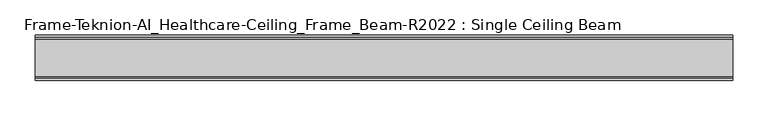
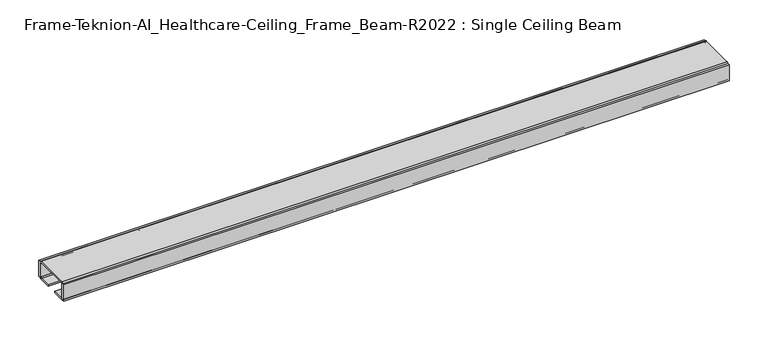
"""IFC4 building model written with IfcOpenShell, lengths in millimetres: furniture geometry, Frame-Teknion-AI_Healthcare-Ceiling_Frame_Beam-R2022 : Single Ceiling Beam."""

from ifc_helpers import new_model, si_unit, point, frame, frame_2d, origin, place, context, project, spatial, polyline, circle_curve, trimmed, segment, composite_curve, outline, extrude, source, transform, mapped, element, save


def frame_teknion_ai_healthcare_ceiling_frame_beam_r2022_single_4f02e1ff(model_context):
    return source(origin(), model_context, "Body", "SweptSolid", [
        extrude(outline(composite_curve([segment(polyline([(-32.174996, 1573.5046), (-32.174996, 1598.9045998), (-28.999999, 1598.9045998), (-28.999999, 1597.787)]), True, "CONTINUOUS"), segment(trimmed(circle_curve(frame_2d((-26.5869991, 1597.787)), 2.413), [point((-28.999999, 1597.787))], [point((-26.5869991, 1600.2))], False, "CARTESIAN"), True, "CONTINUOUS"), segment(polyline([(-26.5869991, 1600.2), (26.5869991, 1600.2)]), True, "CONTINUOUS"), segment(trimmed(circle_curve(frame_2d((26.5869991, 1597.787)), 2.413), [point((26.5869991, 1600.2))], [point((28.999999, 1597.787))], False, "CARTESIAN"), True, "CONTINUOUS"), segment(polyline([(28.999999, 1597.787), (28.999999, 1598.9045998), (32.174996, 1598.9045998), (32.174996, 1573.5046), (28.999999, 1573.5046), (28.999999, 1574.6129989)]), True, "CONTINUOUS"), segment(trimmed(circle_curve(frame_2d((26.5869991, 1574.6129989)), 2.413), [point((28.999999, 1574.6129989))], [point((26.5869991, 1572.199999))], False, "CARTESIAN"), True, "CONTINUOUS"), segment(polyline([(26.5869991, 1572.199999), (7.9374947, 1572.199999), (7.9374947, 1574.4859991), (25.4440002, 1574.4859991)]), True, "CONTINUOUS"), segment(trimmed(circle_curve(frame_2d((25.4440002, 1576.0099999)), 1.5240008), [point((25.4440002, 1574.4859991))], [point((26.968001, 1576.0099999))], True, "CARTESIAN"), True, "CONTINUOUS"), segment(polyline([(26.968001, 1576.0099999), (26.968001, 1597.1520009)]), True, "CONTINUOUS"), segment(trimmed(circle_curve(frame_2d((25.9520019, 1597.1520009)), 1.015999), [point((26.968001, 1597.1520009))], [point((25.9520019, 1598.168))], True, "CARTESIAN"), True, "CONTINUOUS"), segment(polyline([(25.9520019, 1598.168), (-25.9520019, 1598.168)]), True, "CONTINUOUS"), segment(trimmed(circle_curve(frame_2d((-25.9520019, 1597.1520009)), 1.015999), [point((-25.9520019, 1598.168))], [point((-26.968001, 1597.1520009))], True, "CARTESIAN"), True, "CONTINUOUS"), segment(polyline([(-26.968001, 1597.1520009), (-26.968001, 1576.0099999)]), True, "CONTINUOUS"), segment(trimmed(circle_curve(frame_2d((-25.4440002, 1576.0099999)), 1.5240008), [point((-26.968001, 1576.0099999))], [point((-25.4440002, 1574.4859991))], True, "CARTESIAN"), True, "CONTINUOUS"), segment(polyline([(-25.4440002, 1574.4859991), (-7.9374947, 1574.4859991), (-7.9374947, 1572.199999), (-26.5869991, 1572.199999)]), True, "CONTINUOUS"), segment(trimmed(circle_curve(frame_2d((-26.5869991, 1574.6129989)), 2.413), [point((-26.5869991, 1572.199999))], [point((-28.999999, 1574.6129989))], False, "CARTESIAN"), True, "CONTINUOUS"), segment(polyline([(-28.999999, 1574.6129989), (-28.999999, 1573.5046), (-32.174996, 1573.5046)]), True, "CONTINUOUS")], self_intersect=False)), frame((-493.4204, 0.0, 0.0), z_axis=(1.0, 0.0, 0.0), x_axis=(0.0, 1.0, 0.0)), (0.0, 0.0, 1.0), 986.8408),
    ])


if __name__ == "__main__":
    model = new_model("IFC4")
    model_context = context("Model", 3, world=origin())
    ifc_project = project(units=[si_unit("LENGTHUNIT", "METRE", prefix="MILLI")], contexts=[model_context])
    site = spatial("IfcSite", under=ifc_project)
    building = spatial("IfcBuilding", under=site)
    placement = place(None, origin())
    frame_teknion_ai_healthcare_ceiling_frame_beam_r2022_single_shape = frame_teknion_ai_healthcare_ceiling_frame_beam_r2022_single_4f02e1ff(model_context)
    element("IfcFurniture", 1, ObjectType="Frame-Teknion-AI_Healthcare-Ceiling_Frame_Beam-R2022 : Single Ceiling Beam", at=placement, inside=building, context=model_context, shape_type="MappedRepresentation", body=[
        mapped(frame_teknion_ai_healthcare_ceiling_frame_beam_r2022_single_shape, transform((0.0, 0.0, 0.0), x_axis=(1.0, 0.0, 0.0), y_axis=(0.0, 1.0, 0.0), z_axis=(0.0, 0.0, 1.0))),
    ])
    save(model, "model.ifc")
